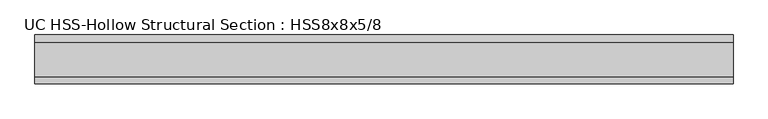
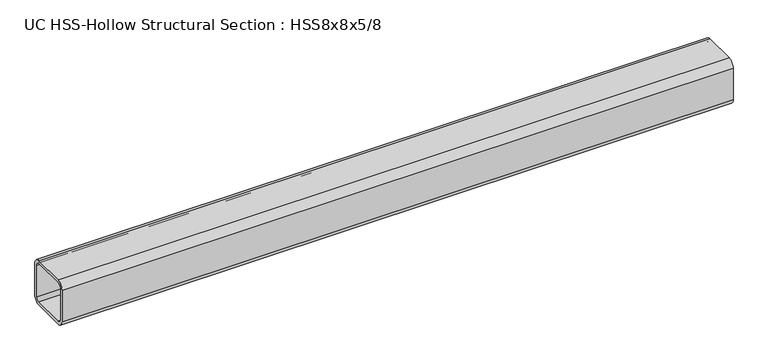
"""IFC4 building model written with IfcOpenShell, lengths in millimetres: member geometry, UC HSS-Hollow Structural Section : HSS8x8x5/8."""

import ifcopenshell
import ifcopenshell.guid

model = None  # the IFC model being written
_history = None  # IfcOwnerHistory: only IFC2X3 demands one
_inside = {}  # id of a spatial element -> (the spatial element, [elements in it])
_under = {}  # id of a project, library or spatial element -> (it, [spatial elements below it])
_declared = {}  # id of a project -> (the project, [libraries it declares])
_typed = {}  # id of a type object -> (the type object, [elements of that type])
_made_of = {}  # id of a material, layer set ... -> (it, [elements and type objects made of it])


def new_model(schema):
    """Start an empty IFC model of exactly this schema.

    Asked for "IFC4X3", IfcOpenShell would pick the latest addendum, in which some entities
    have other attributes; the version numbers below select the first issue.
    IFC2X3 requires an IfcOwnerHistory on every rooted entity: one is made here for all.
    """
    global model, _history
    if schema == "IFC4X3":
        model = ifcopenshell.file(schema_version=(4, 3, 0, 0))
    else:
        model = ifcopenshell.file(schema=schema)
    _inside.clear()
    _under.clear()
    _declared.clear()
    _typed.clear()
    _made_of.clear()
    _history = None
    if model.schema == "IFC2X3":
        org = make("IfcOrganization", Name="unknown")
        user = make(
            "IfcPersonAndOrganization",
            ThePerson=make("IfcPerson", FamilyName="unknown"),
            TheOrganization=org,
        )
        app = make(
            "IfcApplication",
            ApplicationDeveloper=org,
            Version="unknown",
            ApplicationFullName="unknown",
            ApplicationIdentifier="unknown",
        )
        _history = make(
            "IfcOwnerHistory",
            OwningUser=user,
            OwningApplication=app,
            ChangeAction="ADDED",
            CreationDate=0,
        )
    return model


def make(cls, **values):
    """One entity of the class cls with the attributes given. An attribute that is None is left unset."""
    return model.create_entity(
        cls, **{name: value for name, value in values.items() if value is not None}
    )


def rooted(cls, **values):
    """An entity with a GlobalId (a new one), such as an element, a storey or a relation."""
    return make(cls, GlobalId=ifcopenshell.guid.new(), OwnerHistory=_history, **values)


def si_unit(unit_type, name, prefix=None):
    """IfcSIUnit, for example si_unit("LENGTHUNIT", "METRE", prefix="MILLI")."""
    return make("IfcSIUnit", UnitType=unit_type, Prefix=prefix, Name=name)


def assignment(units):
    """IfcUnitAssignment: the units of a project."""
    return None if units is None else make("IfcUnitAssignment", Units=units)


def point(xyz):
    """IfcCartesianPoint."""
    return None if xyz is None else make("IfcCartesianPoint", Coordinates=xyz)


def direction(xyz):
    """IfcDirection."""
    return None if xyz is None else make("IfcDirection", DirectionRatios=xyz)


def frame(location, z_axis=None, x_axis=None):
    """IfcAxis2Placement3D, a coordinate frame: its origin and axes. An axis left out is left unset."""
    return make(
        "IfcAxis2Placement3D",
        Location=point(location),
        Axis=direction(z_axis),
        RefDirection=direction(x_axis),
    )


def frame_2d(location, x_axis=None):
    """IfcAxis2Placement2D, a coordinate frame in the plane: its origin and x axis."""
    return make(
        "IfcAxis2Placement2D", Location=point(location), RefDirection=direction(x_axis)
    )


def origin():
    """The frame at (0, 0, 0) with its axes left unset."""
    return frame((0.0, 0.0, 0.0))


def place(relative_to, where):
    """IfcLocalPlacement: puts the frame where relative to a parent placement (None: the world)."""
    return make(
        "IfcLocalPlacement", PlacementRelTo=relative_to, RelativePlacement=where
    )


def context(
    kind, dimensions, precision=None, world=None, true_north=None, identifier=None
):
    """IfcGeometricRepresentationContext, for example the 3D "Model" context."""
    return make(
        "IfcGeometricRepresentationContext",
        ContextIdentifier=identifier,
        ContextType=kind,
        CoordinateSpaceDimension=dimensions,
        Precision=precision,
        WorldCoordinateSystem=world,
        TrueNorth=true_north,
    )


def project(units=None, contexts=None):
    """IfcProject with its units and contexts."""
    return rooted(
        "IfcProject",
        Name="project",
        RepresentationContexts=contexts,
        UnitsInContext=assignment(units),
    )


def spatial(cls, under=None, at=None, **own):
    """A site, building, storey or space (cls), placed at a placement, below another one or the project."""
    s = rooted(cls, ObjectPlacement=at, **own)
    if under is not None:
        _under.setdefault(under.id(), (under, []))[1].append(s)
    return s


def polyline(points):
    """IfcPolyline through the points."""
    return make("IfcPolyline", Points=[point(p) for p in points])


def circle_curve(where, radius):
    """IfcCircle in the frame where."""
    return make("IfcCircle", Position=where, Radius=radius)


def trimmed(basis, trim1, trim2, sense, master):
    """IfcTrimmedCurve: the piece of a basis curve between two trims."""
    return make(
        "IfcTrimmedCurve",
        BasisCurve=basis,
        Trim1=trim1,
        Trim2=trim2,
        SenseAgreement=sense,
        MasterRepresentation=master,
    )


def segment(curve, same_sense, transition):
    """IfcCompositeCurveSegment."""
    return make(
        "IfcCompositeCurveSegment",
        Transition=transition,
        SameSense=same_sense,
        ParentCurve=curve,
    )


def composite_curve(segments, self_intersect=None):
    """IfcCompositeCurve: segments joined end to end."""
    return make("IfcCompositeCurve", Segments=segments, SelfIntersect=self_intersect)


def outline(outer, holes=None, kind="AREA"):
    """IfcArbitraryClosedProfileDef: a profile drawn as a closed curve; with holes, ...WithVoids."""
    if holes is None:
        return make("IfcArbitraryClosedProfileDef", ProfileType=kind, OuterCurve=outer)
    return make(
        "IfcArbitraryProfileDefWithVoids",
        ProfileType=kind,
        OuterCurve=outer,
        InnerCurves=holes,
    )


def extrude(swept, where, along, depth):
    """IfcExtrudedAreaSolid: the profile swept, set in the frame where, extruded along a direction by depth."""
    return make(
        "IfcExtrudedAreaSolid",
        SweptArea=swept,
        Position=where,
        ExtrudedDirection=direction(along),
        Depth=depth,
    )


def shape(context_of_items, identifier, shape_type, items):
    """IfcShapeRepresentation: the items that make up one representation, for example the "Body"."""
    return make(
        "IfcShapeRepresentation",
        ContextOfItems=context_of_items,
        RepresentationIdentifier=identifier,
        RepresentationType=shape_type,
        Items=items,
    )


def source(mapping_origin, context_of_items, identifier, shape_type, items):
    """IfcRepresentationMap: a shape defined once, which mapped items show again and again."""
    return make(
        "IfcRepresentationMap",
        MappingOrigin=mapping_origin,
        MappedRepresentation=shape(context_of_items, identifier, shape_type, items),
    )


def transform(
    local_origin,
    x_axis=None,
    y_axis=None,
    z_axis=None,
    scale=None,
    scale2=None,
    scale3=None,
    uniform=True,
):
    """IfcCartesianTransformationOperator3D, or its non-uniform kind. x_axis, y_axis, z_axis: its Axis1, 2, 3."""
    if uniform:
        return make(
            "IfcCartesianTransformationOperator3D",
            Axis1=direction(x_axis),
            Axis2=direction(y_axis),
            LocalOrigin=point(local_origin),
            Scale=scale,
            Axis3=direction(z_axis),
        )
    return make(
        "IfcCartesianTransformationOperator3DnonUniform",
        Axis1=direction(x_axis),
        Axis2=direction(y_axis),
        LocalOrigin=point(local_origin),
        Scale=scale,
        Axis3=direction(z_axis),
        Scale2=scale2,
        Scale3=scale3,
    )


def mapped(mapping_source, mapping_target):
    """IfcMappedItem: shows the shape of a source again, moved by a transform."""
    return make(
        "IfcMappedItem", MappingSource=mapping_source, MappingTarget=mapping_target
    )


def made_of(thing, what):
    """Note that an element or type object is made of a material, layer set ...; save() writes the relation."""
    if what is not None:
        _made_of.setdefault(what.id(), (what, []))[1].append(thing)
    return thing


def element(
    cls,
    number,
    at=None,
    inside=None,
    cuts=None,
    type_object=None,
    material=None,
    context=None,
    identifier="Body",
    shape_type=None,
    held_by="IfcProductDefinitionShape",
    body=None,
    shapes=None,
    **own,
):
    """One element of the class cls, such as IfcWall. Its Tag is "e" and its number.

    at: its placement. inside: the storey or other place that contains it. cuts: it is an
    opening in that element (IfcRelVoidsElement). A single representation is given by context,
    identifier, shape_type and body (its items); several are given by shapes. held_by: the class
    of the entity that holds the representations. save() writes the other relations.
    """
    e = rooted(cls, Tag="e%d" % number, ObjectPlacement=at, **own)
    if body is not None:
        shapes = [shape(context, identifier, shape_type, body)]
    if shapes is not None:
        e.Representation = make(held_by, Representations=shapes)
    if inside is not None:
        _inside.setdefault(inside.id(), (inside, []))[1].append(e)
    if cuts is not None:
        rooted(
            "IfcRelVoidsElement", RelatingBuildingElement=cuts, RelatedOpeningElement=e
        )
    if type_object is not None:
        _typed.setdefault(type_object.id(), (type_object, []))[1].append(e)
    return made_of(e, material)


def aggregate(whole, parts):
    """IfcRelAggregates: a whole, such as a stair, and the parts it consists of."""
    return rooted("IfcRelAggregates", RelatingObject=whole, RelatedObjects=parts)


def save(model, path):
    """Write the relations noted so far, then the file.

    IfcRelAggregates (storeys below a building ...), IfcRelContainedInSpatialStructure (elements
    in a storey), IfcRelDefinesByType, IfcRelAssociatesMaterial and IfcRelDeclares: one each for
    every whole, place, type object, material and project.
    """
    for whole, parts in _under.values():
        aggregate(whole, parts)
    for where, things in _inside.values():
        rooted(
            "IfcRelContainedInSpatialStructure",
            RelatedElements=things,
            RelatingStructure=where,
        )
    for kind, things in _typed.values():
        rooted("IfcRelDefinesByType", RelatedObjects=things, RelatingType=kind)
    for what, things in _made_of.values():
        rooted("IfcRelAssociatesMaterial", RelatedObjects=things, RelatingMaterial=what)
    for by, libraries in _declared.values():
        rooted("IfcRelDeclares", RelatingContext=by, RelatedDefinitions=libraries)
    model.write(path)


def uc_hss_hollow_structural_section_hss8x8x5_8_8f39cac9(model_context):
    return source(origin(), model_context, "Body", "SweptSolid", [
        extrude(outline(composite_curve([segment(polyline([(101.6, 72.0852), (101.6, -72.0852)]), True, "CONTINUOUS"), segment(trimmed(circle_curve(frame_2d((72.0852, -72.0852)), 29.5148), [point((101.6, -72.0852))], [point((72.0852, -101.6))], False, "CARTESIAN"), True, "CONTINUOUS"), segment(polyline([(72.0852, -101.6), (-72.0852, -101.6)]), True, "CONTINUOUS"), segment(trimmed(circle_curve(frame_2d((-72.0852, -72.0852)), 29.5148), [point((-72.0852, -101.6))], [point((-101.6, -72.0852))], False, "CARTESIAN"), True, "CONTINUOUS"), segment(polyline([(-101.6, -72.0852), (-101.6, 72.0852)]), True, "CONTINUOUS"), segment(trimmed(circle_curve(frame_2d((-72.0852, 72.0852)), 29.5148), [point((-101.6, 72.0852))], [point((-72.0852, 101.6))], False, "CARTESIAN"), True, "CONTINUOUS"), segment(polyline([(-72.0852, 101.6), (72.0852, 101.6)]), True, "CONTINUOUS"), segment(trimmed(circle_curve(frame_2d((72.0852, 72.0852)), 29.5148), [point((72.0852, 101.6))], [point((101.6, 72.0852))], False, "CARTESIAN"), True, "CONTINUOUS")], self_intersect=False), holes=[composite_curve([segment(trimmed(circle_curve(frame_2d((-72.0852, 72.0852)), 14.7574), [point((-72.0852, 86.8426))], [point((-86.8426, 72.0852))], True, "CARTESIAN"), True, "CONTINUOUS"), segment(polyline([(-86.8426, 72.0852), (-86.8426, -72.0852)]), True, "CONTINUOUS"), segment(trimmed(circle_curve(frame_2d((-72.0852, -72.0852)), 14.7574), [point((-86.8426, -72.0852))], [point((-72.0852, -86.8426))], True, "CARTESIAN"), True, "CONTINUOUS"), segment(polyline([(-72.0852, -86.8426), (72.0852, -86.8426)]), True, "CONTINUOUS"), segment(trimmed(circle_curve(frame_2d((72.0852, -72.0852)), 14.7574), [point((72.0852, -86.8426))], [point((86.8426, -72.0852))], True, "CARTESIAN"), True, "CONTINUOUS"), segment(polyline([(86.8426, -72.0852), (86.8426, 72.0852)]), True, "CONTINUOUS"), segment(trimmed(circle_curve(frame_2d((72.0852, 72.0852)), 14.7574), [point((86.8426, 72.0852))], [point((72.0852, 86.8426))], True, "CARTESIAN"), True, "CONTINUOUS"), segment(polyline([(72.0852, 86.8426), (-72.0852, 86.8426)]), True, "CONTINUOUS")], self_intersect=False)]), frame((-1527.8729612, 0.0, 0.0), z_axis=(1.0, 0.0, 0.0), x_axis=(0.0, 1.0, 0.0)), (0.0, 0.0, 1.0), 2902.0220838),
    ])


if __name__ == "__main__":
    model = new_model("IFC4")
    model_context = context("Model", 3, world=origin())
    ifc_project = project(units=[si_unit("LENGTHUNIT", "METRE", prefix="MILLI")], contexts=[model_context])
    site = spatial("IfcSite", under=ifc_project)
    building = spatial("IfcBuilding", under=site)
    placement = place(None, origin())
    uc_hss_hollow_structural_section_hss8x8x5_8_shape = uc_hss_hollow_structural_section_hss8x8x5_8_8f39cac9(model_context)
    element("IfcMember", 1, ObjectType="UC HSS-Hollow Structural Section : HSS8x8x5/8", at=placement, inside=building, context=model_context, shape_type="MappedRepresentation", body=[
        mapped(uc_hss_hollow_structural_section_hss8x8x5_8_shape, transform((0.0, 0.0, 0.0), x_axis=(1.0, 0.0, 0.0), y_axis=(0.0, 1.0, 0.0), z_axis=(0.0, 0.0, 1.0))),
    ])
    save(model, "model.ifc")
